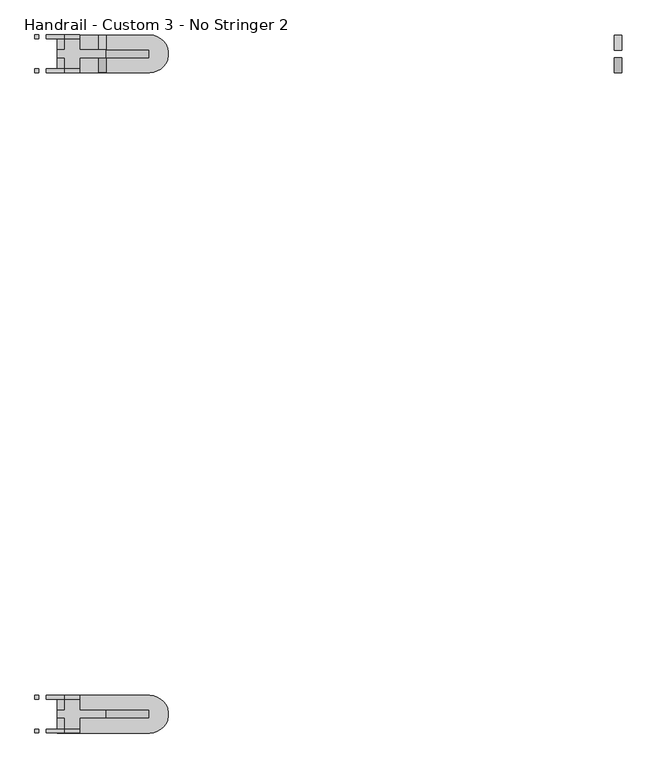
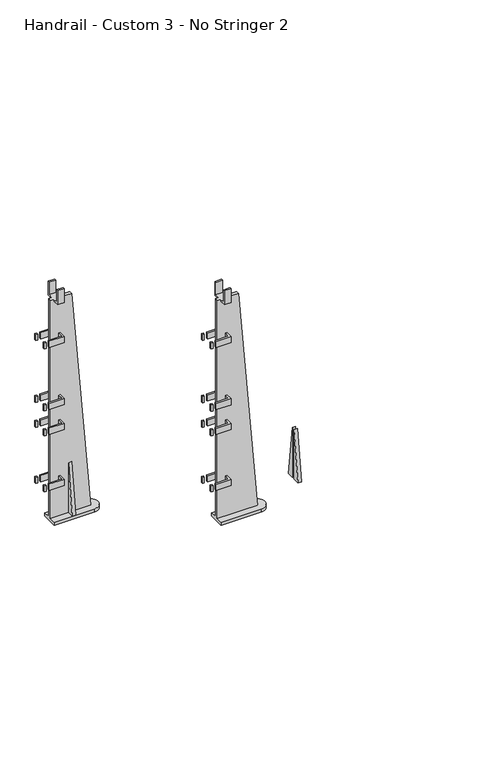
"""IFC4 building model written with IfcOpenShell, lengths in millimetres: railing geometry, Handrail - Custom 3 - No Stringer 2."""

from ifc_helpers import new_model, si_unit, frame, origin, place, context, project, spatial, polyline, circle_curve, outline, extrude, faceted_brep, source, transform, mapped, element, save
from ifc_brep_helpers import plane_surface, cylinder_surface, advanced_brep


def handrail_custom_3_no_stringer_2_4751ff28(model_context):
    return source(origin(), model_context, "Body", "SolidModel", [
        advanced_brep(
        [(6078.3705852, 3738.6590883, 3274.3822381), (6034.93129, 3738.6590883, 3274.3822381), (6034.93129, 3738.6590883, 3268.0322381), (6009.53129, 3738.6590883, 3268.0322381), (6009.53129, 3738.6590883, 3274.3822381), (5996.83129, 3738.6590883, 3274.3822381), (5996.83129, 3738.6590883, 2383.3666667), (6152.0702467, 3738.6590883, 2383.3666667), (6034.93129, 3738.6590883, 2545.5335052), (6034.93129, 3738.6590883, 2520.1335052), (6028.58129, 3738.6590883, 2520.1335052), (6028.58129, 3738.6590883, 2545.5335052), (6034.93129, 3738.6590883, 2774.1335052), (6034.93129, 3738.6590883, 2748.7335052), (6028.58129, 3738.6590883, 2748.7335052), (6028.58129, 3738.6590883, 2774.1335052), (6034.93129, 3738.6590883, 2875.7335052), (6034.93129, 3738.6590883, 2850.3335052), (6028.58129, 3738.6590883, 2850.3335052), (6028.58129, 3738.6590883, 2875.7335052), (6034.93129, 3738.6590883, 3129.7335052), (6034.93129, 3738.6590883, 3104.3335052), (6028.58129, 3738.6590883, 3104.3335052), (6028.58129, 3738.6590883, 3129.7335052), (5996.83129, 3751.3590883, 3274.3822381), (6009.53129, 3751.3590883, 3274.3822381), (6009.53129, 3751.3590883, 3268.0322381), (6034.93129, 3751.3590883, 3268.0322381), (6034.93129, 3751.3590883, 3274.3822381), (6078.3705852, 3751.3590883, 3274.3822381), (6152.0702467, 3751.3590883, 2383.3666667), (5996.83129, 3751.3590883, 2383.3666667), (6028.58129, 3751.3590883, 2545.5335052), (6028.58129, 3751.3590883, 2520.1335052), (6034.93129, 3751.3590883, 2520.1335052), (6034.93129, 3751.3590883, 2545.5335052), (6028.58129, 3751.3590883, 2774.1335052), (6028.58129, 3751.3590883, 2748.7335052), (6034.93129, 3751.3590883, 2748.7335052), (6034.93129, 3751.3590883, 2774.1335052), (6028.58129, 3751.3590883, 2875.7335052), (6028.58129, 3751.3590883, 2850.3335052), (6034.93129, 3751.3590883, 2850.3335052), (6034.93129, 3751.3590883, 2875.7335052), (6028.58129, 3751.3590883, 3129.7335052), (6028.58129, 3751.3590883, 3104.3335052), (6034.93129, 3751.3590883, 3104.3335052), (6034.93129, 3751.3590883, 3129.7335052), (6009.53129, 3719.6090883, 3274.3822381), (6034.93129, 3719.6090883, 3274.3822381), (6034.93129, 3770.4090883, 3274.3822381), (6009.53129, 3770.4090883, 3274.3822381), (5996.83129, 3713.2590883, 2370.6666667), (5996.83129, 3776.7590883, 2370.6666667), (6153.1207173, 3776.7590883, 2370.6666667), (6153.1207173, 3713.2590883, 2370.6666667), (5996.83129, 3776.7590883, 2383.3666667), (5996.83129, 3713.2590883, 2383.3666667), (6153.1207173, 3713.2590883, 2383.3666667), (6153.1207173, 3776.7590883, 2383.3666667), (6028.58129, 3719.6090883, 2520.1335052), (5977.78129, 3719.6090883, 2520.1335052), (5977.78129, 3719.6090883, 2545.5335052), (6028.58129, 3719.6090883, 2545.5335052), (5977.78129, 3713.2590883, 2545.5335052), (6034.93129, 3713.2590883, 2545.5335052), (6034.93129, 3776.7590883, 2545.5335052), (5977.78129, 3776.7590883, 2545.5335052), (5977.78129, 3770.4090883, 2545.5335052), (6028.58129, 3770.4090883, 2545.5335052), (5977.78129, 3713.2590883, 2520.1335052), (6034.93129, 3713.2590883, 2520.1335052), (6028.58129, 3770.4090883, 2520.1335052), (5977.78129, 3770.4090883, 2520.1335052), (5977.78129, 3776.7590883, 2520.1335052), (6034.93129, 3776.7590883, 2520.1335052), (6028.58129, 3719.6090883, 2748.7335052), (5977.78129, 3719.6090883, 2748.7335052), (5977.78129, 3719.6090883, 2774.1335052), (6028.58129, 3719.6090883, 2774.1335052), (5977.78129, 3713.2590883, 2774.1335052), (6034.93129, 3713.2590883, 2774.1335052), (6034.93129, 3776.7590883, 2774.1335052), (5977.78129, 3776.7590883, 2774.1335052), (5977.78129, 3770.4090883, 2774.1335052), (6028.58129, 3770.4090883, 2774.1335052), (5977.78129, 3713.2590883, 2748.7335052), (6034.93129, 3713.2590883, 2748.7335052), (6028.58129, 3770.4090883, 2748.7335052), (5977.78129, 3770.4090883, 2748.7335052), (5977.78129, 3776.7590883, 2748.7335052), (6034.93129, 3776.7590883, 2748.7335052), (6028.58129, 3719.6090883, 2850.3335052), (5977.78129, 3719.6090883, 2850.3335052), (5977.78129, 3719.6090883, 2875.7335052), (6028.58129, 3719.6090883, 2875.7335052), (5977.78129, 3713.2590883, 2875.7335052), (6034.93129, 3713.2590883, 2875.7335052), (6034.93129, 3776.7590883, 2875.7335052), (5977.78129, 3776.7590883, 2875.7335052), (5977.78129, 3770.4090883, 2875.7335052), (6028.58129, 3770.4090883, 2875.7335052), (5977.78129, 3713.2590883, 2850.3335052), (6034.93129, 3713.2590883, 2850.3335052), (6028.58129, 3770.4090883, 2850.3335052), (5977.78129, 3770.4090883, 2850.3335052), (5977.78129, 3776.7590883, 2850.3335052), (6034.93129, 3776.7590883, 2850.3335052), (6028.58129, 3719.6090883, 3104.3335052), (5977.78129, 3719.6090883, 3104.3335052), (5977.78129, 3719.6090883, 3129.7335052), (6028.58129, 3719.6090883, 3129.7335052), (5977.78129, 3713.2590883, 3129.7335052), (6034.93129, 3713.2590883, 3129.7335052), (6034.93129, 3776.7590883, 3129.7335052), (5977.78129, 3776.7590883, 3129.7335052), (5977.78129, 3770.4090883, 3129.7335052), (6028.58129, 3770.4090883, 3129.7335052), (5977.78129, 3713.2590883, 3104.3335052), (6034.93129, 3713.2590883, 3104.3335052), (6028.58129, 3770.4090883, 3104.3335052), (5977.78129, 3770.4090883, 3104.3335052), (5977.78129, 3776.7590883, 3104.3335052), (6034.93129, 3776.7590883, 3104.3335052), (6009.53129, 3713.2590883, 3268.0322381), (6009.53129, 3713.2590883, 3325.1822381), (6009.53129, 3719.6090883, 3325.1822381), (6009.53129, 3770.4090883, 3325.1822381), (6009.53129, 3776.7590883, 3325.1822381), (6009.53129, 3776.7590883, 3268.0322381), (6034.93129, 3719.6090883, 3325.1822381), (6034.93129, 3713.2590883, 3325.1822381), (6034.93129, 3713.2590883, 3268.0322381), (6034.93129, 3776.7590883, 3268.0322381), (6034.93129, 3776.7590883, 3325.1822381), (6034.93129, 3770.4090883, 3325.1822381)],
        [
            (0, 1),
            (1, 2),
            (2, 3),
            (3, 4),
            (4, 5),
            (5, 6),
            (6, 7),
            (7, 0),
            (8, 9),
            (9, 10),
            (10, 11),
            (11, 8),
            (12, 13),
            (13, 14),
            (14, 15),
            (15, 12),
            (16, 17),
            (17, 18),
            (18, 19),
            (19, 16),
            (20, 21),
            (21, 22),
            (22, 23),
            (23, 20),
            (24, 25),
            (25, 26),
            (26, 27),
            (27, 28),
            (28, 29),
            (29, 30),
            (30, 31),
            (31, 24),
            (32, 33),
            (33, 34),
            (34, 35),
            (35, 32),
            (36, 37),
            (37, 38),
            (38, 39),
            (39, 36),
            (40, 41),
            (41, 42),
            (42, 43),
            (43, 40),
            (44, 45),
            (45, 46),
            (46, 47),
            (47, 44),
            (4, 48),
            (48, 49),
            (49, 1),
            (0, 29),
            (28, 50),
            (50, 51),
            (51, 25),
            (24, 5),
            (7, 30),
            (52, 53),
            (53, 54),
            (54, 55, circle_curve(frame((6153.1207173, 3745.0090883, 2370.6666667), z_axis=(0.0, 0.0, -1.0), x_axis=(-1.0, 0.0, 0.0)), 31.75)),
            (55, 52),
            (31, 56),
            (56, 53),
            (52, 57),
            (57, 6),
            (57, 58),
            (58, 59, circle_curve(frame((6153.1207173, 3745.0090883, 2383.3666667), z_axis=(0.0, 0.0, 1.0), x_axis=(-1.0, 0.0, 0.0)), 31.75)),
            (59, 56),
            (59, 54),
            (58, 55),
            (60, 61),
            (61, 62),
            (62, 63),
            (63, 60),
            (62, 64),
            (64, 65),
            (65, 8),
            (11, 63),
            (35, 66),
            (66, 67),
            (67, 68),
            (68, 69),
            (69, 32),
            (64, 70),
            (70, 71),
            (71, 65),
            (70, 61),
            (60, 10),
            (9, 71),
            (33, 72),
            (72, 73),
            (73, 74),
            (74, 75),
            (75, 34),
            (76, 77),
            (77, 78),
            (78, 79),
            (79, 76),
            (78, 80),
            (80, 81),
            (81, 12),
            (15, 79),
            (39, 82),
            (82, 83),
            (83, 84),
            (84, 85),
            (85, 36),
            (80, 86),
            (86, 87),
            (87, 81),
            (86, 77),
            (76, 14),
            (13, 87),
            (37, 88),
            (88, 89),
            (89, 90),
            (90, 91),
            (91, 38),
            (92, 93),
            (93, 94),
            (94, 95),
            (95, 92),
            (94, 96),
            (96, 97),
            (97, 16),
            (19, 95),
            (43, 98),
            (98, 99),
            (99, 100),
            (100, 101),
            (101, 40),
            (96, 102),
            (102, 103),
            (103, 97),
            (102, 93),
            (92, 18),
            (17, 103),
            (41, 104),
            (104, 105),
            (105, 106),
            (106, 107),
            (107, 42),
            (108, 109),
            (109, 110),
            (110, 111),
            (111, 108),
            (110, 112),
            (112, 113),
            (113, 20),
            (23, 111),
            (47, 114),
            (114, 115),
            (115, 116),
            (116, 117),
            (117, 44),
            (112, 118),
            (118, 119),
            (119, 113),
            (118, 109),
            (108, 22),
            (21, 119),
            (45, 120),
            (120, 121),
            (121, 122),
            (122, 123),
            (123, 46),
            (69, 72),
            (75, 66),
            (85, 88),
            (91, 82),
            (101, 104),
            (107, 98),
            (117, 120),
            (123, 114),
            (68, 73),
            (74, 67),
            (84, 89),
            (90, 83),
            (100, 105),
            (106, 99),
            (116, 121),
            (122, 115),
            (3, 124),
            (124, 125),
            (125, 126),
            (126, 48),
            (51, 127),
            (127, 128),
            (128, 129),
            (129, 26),
            (49, 130),
            (130, 131),
            (131, 132),
            (132, 2),
            (27, 133),
            (133, 134),
            (134, 135),
            (135, 50),
            (126, 130),
            (125, 131),
            (124, 132),
            (129, 133),
            (128, 134),
            (127, 135),
        ],
        [
            plane_surface(frame((5996.83129, 3738.6590883, 3274.3822381), z_axis=(0.0, -1.0, 0.0), x_axis=(1.0, 0.0, 0.0))),
            plane_surface(frame((5996.83129, 3751.3590883, 3274.3822381), z_axis=(0.0, 1.0, 0.0), x_axis=(-1.0, 0.0, 0.0))),
            plane_surface(frame((5996.83129, 3738.6590883, 3274.3822381), z_axis=(0.0, 0.0, 1.0), x_axis=(0.0, 1.0, 0.0))),
            plane_surface(frame((6078.3705852, 3738.6590883, 3274.3822381), z_axis=(0.9965966321302145, 0.0, 0.08243271696792498), x_axis=(0.0, 1.0, 0.0))),
            plane_surface(frame((6153.1207173, 3738.6590883, 2370.6666667), z_axis=(0.0, 0.0, -1.0), x_axis=(0.0, 1.0, 0.0))),
            plane_surface(frame((5996.83129, 3738.6590883, 2370.6666667), z_axis=(-1.0, 0.0, 0.0), x_axis=(0.0, 1.0, 0.0))),
            plane_surface(frame((5996.83129, 3776.7590883, 2383.3666667), z_axis=(0.0, 0.0, 1.0), x_axis=(1.0, 0.0, 0.0))),
            plane_surface(frame((5996.83129, 3776.7590883, 2383.3666667), z_axis=(0.0, 1.0, 0.0), x_axis=(0.0, 0.0, -1.0))),
            cylinder_surface(frame((6153.1207173, 3745.0090883, 2370.6666667), z_axis=(0.0, 0.0, 1.0), x_axis=(-1.0, 0.0, 0.0)), 31.75),
            plane_surface(frame((6153.1207173, 3713.2590883, 2383.3666667), z_axis=(0.0, -1.0, 0.0), x_axis=(0.0, 0.0, -1.0))),
            plane_surface(frame((5958.73129, 3719.6090883, 2520.1335052), z_axis=(0.0, 1.0, 0.0), x_axis=(1.0, 0.0, 0.0))),
            plane_surface(frame((5958.73129, 3719.6090883, 2545.5335052), z_axis=(0.0, 0.0, 1.0), x_axis=(1.0, 0.0, 0.0))),
            plane_surface(frame((5958.73129, 3713.2590883, 2545.5335052), z_axis=(0.0, -1.0, 0.0), x_axis=(1.0, 0.0, 0.0))),
            plane_surface(frame((5958.73129, 3713.2590883, 2520.1335052), z_axis=(0.0, 0.0, -1.0), x_axis=(1.0, 0.0, 0.0))),
            plane_surface(frame((5958.73129, 3719.6090883, 2748.7335052), z_axis=(0.0, 1.0, 0.0), x_axis=(1.0, 0.0, 0.0))),
            plane_surface(frame((5958.73129, 3719.6090883, 2774.1335052), z_axis=(0.0, 0.0, 1.0), x_axis=(1.0, 0.0, 0.0))),
            plane_surface(frame((5958.73129, 3713.2590883, 2774.1335052), z_axis=(0.0, -1.0, 0.0), x_axis=(1.0, 0.0, 0.0))),
            plane_surface(frame((5958.73129, 3713.2590883, 2748.7335052), z_axis=(0.0, 0.0, -1.0), x_axis=(1.0, 0.0, 0.0))),
            plane_surface(frame((5958.73129, 3719.6090883, 2850.3335052), z_axis=(0.0, 1.0, 0.0), x_axis=(1.0, 0.0, 0.0))),
            plane_surface(frame((5958.73129, 3719.6090883, 2875.7335052), z_axis=(0.0, 0.0, 1.0), x_axis=(1.0, 0.0, 0.0))),
            plane_surface(frame((5958.73129, 3713.2590883, 2875.7335052), z_axis=(0.0, -1.0, 0.0), x_axis=(1.0, 0.0, 0.0))),
            plane_surface(frame((5958.73129, 3713.2590883, 2850.3335052), z_axis=(0.0, 0.0, -1.0), x_axis=(1.0, 0.0, 0.0))),
            plane_surface(frame((5958.73129, 3719.6090883, 3104.3335052), z_axis=(0.0, 1.0, 0.0), x_axis=(1.0, 0.0, 0.0))),
            plane_surface(frame((5958.73129, 3719.6090883, 3129.7335052), z_axis=(0.0, 0.0, 1.0), x_axis=(1.0, 0.0, 0.0))),
            plane_surface(frame((5958.73129, 3713.2590883, 3129.7335052), z_axis=(0.0, -1.0, 0.0), x_axis=(1.0, 0.0, 0.0))),
            plane_surface(frame((5958.73129, 3713.2590883, 3104.3335052), z_axis=(0.0, 0.0, -1.0), x_axis=(1.0, 0.0, 0.0))),
            plane_surface(frame((6028.58129, 3719.6090883, 2520.1335052), z_axis=(-1.0, 0.0, 0.0), x_axis=(0.0, 1.0, 0.0))),
            plane_surface(frame((6034.93129, 3713.2590883, 2545.5335052), z_axis=(1.0, 0.0, 0.0), x_axis=(0.0, 1.0, 0.0))),
            plane_surface(frame((6028.58129, 3719.6090883, 2748.7335052), z_axis=(-1.0, 0.0, 0.0), x_axis=(0.0, 1.0, 0.0))),
            plane_surface(frame((6034.93129, 3713.2590883, 2774.1335052), z_axis=(1.0, 0.0, 0.0), x_axis=(0.0, 1.0, 0.0))),
            plane_surface(frame((6028.58129, 3719.6090883, 2850.3335052), z_axis=(-1.0, 0.0, 0.0), x_axis=(0.0, 1.0, 0.0))),
            plane_surface(frame((6034.93129, 3713.2590883, 2875.7335052), z_axis=(1.0, 0.0, 0.0), x_axis=(0.0, 1.0, 0.0))),
            plane_surface(frame((6028.58129, 3719.6090883, 3104.3335052), z_axis=(-1.0, 0.0, 0.0), x_axis=(0.0, 1.0, 0.0))),
            plane_surface(frame((6034.93129, 3713.2590883, 3129.7335052), z_axis=(1.0, 0.0, 0.0), x_axis=(0.0, 1.0, 0.0))),
            plane_surface(frame((6028.58129, 3770.4090883, 2520.1335052), z_axis=(0.0, -1.0, 0.0), x_axis=(-1.0, 0.0, 0.0))),
            plane_surface(frame((6034.93129, 3776.7590883, 2545.5335052), z_axis=(0.0, 1.0, 0.0), x_axis=(-1.0, 0.0, 0.0))),
            plane_surface(frame((6028.58129, 3770.4090883, 2748.7335052), z_axis=(0.0, -1.0, 0.0), x_axis=(-1.0, 0.0, 0.0))),
            plane_surface(frame((6034.93129, 3776.7590883, 2774.1335052), z_axis=(0.0, 1.0, 0.0), x_axis=(-1.0, 0.0, 0.0))),
            plane_surface(frame((6028.58129, 3770.4090883, 2850.3335052), z_axis=(0.0, -1.0, 0.0), x_axis=(-1.0, 0.0, 0.0))),
            plane_surface(frame((6034.93129, 3776.7590883, 2875.7335052), z_axis=(0.0, 1.0, 0.0), x_axis=(-1.0, 0.0, 0.0))),
            plane_surface(frame((6028.58129, 3770.4090883, 3104.3335052), z_axis=(0.0, -1.0, 0.0), x_axis=(-1.0, 0.0, 0.0))),
            plane_surface(frame((6034.93129, 3776.7590883, 3129.7335052), z_axis=(0.0, 1.0, 0.0), x_axis=(-1.0, 0.0, 0.0))),
            plane_surface(frame((5977.78129, 3776.7590883, 3325.1822381), z_axis=(-1.0, 0.0, 0.0), x_axis=(0.0, 0.0, -1.0))),
            plane_surface(frame((6009.53129, 3719.6090883, 3325.1822381), z_axis=(-1.0, 0.0, 0.0), x_axis=(0.0, 0.0, 1.0))),
            plane_surface(frame((6034.93129, 3719.6090883, 3325.1822381), z_axis=(1.0, 0.0, 0.0), x_axis=(0.0, 0.0, -1.0))),
            plane_surface(frame((6009.53129, 3719.6090883, 3274.3822381), z_axis=(0.0, 1.0, 0.0), x_axis=(1.0, 0.0, 0.0))),
            plane_surface(frame((6009.53129, 3719.6090883, 3325.1822381), z_axis=(0.0, 0.0, 1.0), x_axis=(1.0, 0.0, 0.0))),
            plane_surface(frame((6009.53129, 3713.2590883, 3325.1822381), z_axis=(0.0, -1.0, 0.0), x_axis=(1.0, 0.0, 0.0))),
            plane_surface(frame((6009.53129, 3713.2590883, 3268.0322381), z_axis=(0.0, 0.0, -1.0), x_axis=(1.0, 0.0, 0.0))),
            plane_surface(frame((6009.53129, 3751.3590883, 3268.0322381), z_axis=(0.0, 0.0, -1.0), x_axis=(1.0, 0.0, 0.0))),
            plane_surface(frame((6009.53129, 3776.7590883, 3268.0322381), z_axis=(0.0, 1.0, 0.0), x_axis=(1.0, 0.0, 0.0))),
            plane_surface(frame((6009.53129, 3776.7590883, 3325.1822381), z_axis=(0.0, 0.0, 1.0), x_axis=(1.0, 0.0, 0.0))),
            plane_surface(frame((6009.53129, 3770.4090883, 3325.1822381), z_axis=(0.0, -1.0, 0.0), x_axis=(1.0, 0.0, 0.0))),
        ],
        [
            (0, [[1, 2, 3, 4, 5, 6, 7, 8], [9, 10, 11, 12], [13, 14, 15, 16], [17, 18, 19, 20], [21, 22, 23, 24]]),
            (1, [[25, 26, 27, 28, 29, 30, 31, 32], [33, 34, 35, 36], [37, 38, 39, 40], [41, 42, 43, 44], [45, 46, 47, 48]]),
            (2, [[-5, 49, 50, 51, -1, 52, -29, 53, 54, 55, -25, 56]]),
            (3, [[-8, 57, -30, -52]]),
            (4, [[58, 59, 60, 61]]),
            (5, [[-32, 62, 63, -58, 64, 65, -6, -56]]),
            (6, [[-62, -31, -57, -7, -65, 66, 67, 68]]),
            (7, [[69, -59, -63, -68]]),
            (8, [[70, -60, -69, -67]]),
            (9, [[-64, -61, -70, -66]]),
            (10, [[71, 72, 73, 74]]),
            (11, [[-73, 75, 76, 77, -12, 78]]),
            (11, [[-36, 79, 80, 81, 82, 83]]),
            (12, [[-76, 84, 85, 86]]),
            (13, [[-85, 87, -71, 88, -10, 89]]),
            (13, [[-34, 90, 91, 92, 93, 94]]),
            (14, [[95, 96, 97, 98]]),
            (15, [[-97, 99, 100, 101, -16, 102]]),
            (15, [[-40, 103, 104, 105, 106, 107]]),
            (16, [[-100, 108, 109, 110]]),
            (17, [[-109, 111, -95, 112, -14, 113]]),
            (17, [[-38, 114, 115, 116, 117, 118]]),
            (18, [[119, 120, 121, 122]]),
            (19, [[-121, 123, 124, 125, -20, 126]]),
            (19, [[-44, 127, 128, 129, 130, 131]]),
            (20, [[-124, 132, 133, 134]]),
            (21, [[-133, 135, -119, 136, -18, 137]]),
            (21, [[-42, 138, 139, 140, 141, 142]]),
            (22, [[143, 144, 145, 146]]),
            (23, [[-145, 147, 148, 149, -24, 150]]),
            (23, [[-48, 151, 152, 153, 154, 155]]),
            (24, [[-148, 156, 157, 158]]),
            (25, [[-157, 159, -143, 160, -22, 161]]),
            (25, [[-46, 162, 163, 164, 165, 166]]),
            (26, [[-78, -11, -88, -74]]),
            (26, [[-90, -33, -83, 167]]),
            (27, [[-89, -9, -77, -86]]),
            (27, [[-79, -35, -94, 168]]),
            (28, [[-102, -15, -112, -98]]),
            (28, [[-114, -37, -107, 169]]),
            (29, [[-113, -13, -101, -110]]),
            (29, [[-103, -39, -118, 170]]),
            (30, [[-126, -19, -136, -122]]),
            (30, [[-138, -41, -131, 171]]),
            (31, [[-137, -17, -125, -134]]),
            (31, [[-127, -43, -142, 172]]),
            (32, [[-150, -23, -160, -146]]),
            (32, [[-162, -45, -155, 173]]),
            (33, [[-161, -21, -149, -158]]),
            (33, [[-151, -47, -166, 174]]),
            (34, [[-82, 175, -91, -167]]),
            (35, [[-93, 176, -80, -168]]),
            (36, [[-106, 177, -115, -169]]),
            (37, [[-117, 178, -104, -170]]),
            (38, [[-130, 179, -139, -171]]),
            (39, [[-141, 180, -128, -172]]),
            (40, [[-154, 181, -163, -173]]),
            (41, [[-165, 182, -152, -174]]),
            (42, [[-87, -84, -75, -72]]),
            (42, [[-176, -92, -175, -81]]),
            (42, [[-111, -108, -99, -96]]),
            (42, [[-178, -116, -177, -105]]),
            (42, [[-135, -132, -123, -120]]),
            (42, [[-180, -140, -179, -129]]),
            (42, [[-159, -156, -147, -144]]),
            (42, [[-182, -164, -181, -153]]),
            (43, [[-49, -4, 183, 184, 185, 186]]),
            (43, [[187, 188, 189, 190, -26, -55]]),
            (44, [[191, 192, 193, 194, -2, -51]]),
            (44, [[-53, -28, 195, 196, 197, 198]]),
            (45, [[199, -191, -50, -186]]),
            (46, [[200, -192, -199, -185]]),
            (47, [[201, -193, -200, -184]]),
            (48, [[-3, -194, -201, -183]]),
            (49, [[202, -195, -27, -190]]),
            (50, [[203, -196, -202, -189]]),
            (51, [[204, -197, -203, -188]]),
            (52, [[-54, -198, -204, -187]]),
        ],
    ),
        faceted_brep([(5958.73129, 3719.6090883, 2520.1335052), (5958.73129, 3713.2590883, 2520.1335052), (5958.73129, 3713.2590883, 2545.5335052), (5958.73129, 3719.6090883, 2545.5335052), (5965.08129, 3719.6090883, 2545.5335052), (5965.08129, 3719.6090883, 2520.1335052), (5965.08129, 3713.2590883, 2545.5335052), (5965.08129, 3713.2590883, 2520.1335052)], [[[0, 1, 2, 3]], [[3, 4, 5, 0]], [[2, 6, 4, 3]], [[1, 7, 6, 2]], [[0, 5, 7, 1]], [[4, 6, 7, 5]]]),
        faceted_brep([(5958.73129, 3719.6090883, 2748.7335052), (5958.73129, 3713.2590883, 2748.7335052), (5958.73129, 3713.2590883, 2774.1335052), (5958.73129, 3719.6090883, 2774.1335052), (5965.08129, 3719.6090883, 2774.1335052), (5965.08129, 3719.6090883, 2748.7335052), (5965.08129, 3713.2590883, 2774.1335052), (5965.08129, 3713.2590883, 2748.7335052)], [[[0, 1, 2, 3]], [[3, 4, 5, 0]], [[2, 6, 4, 3]], [[1, 7, 6, 2]], [[0, 5, 7, 1]], [[4, 6, 7, 5]]]),
        faceted_brep([(5958.73129, 3719.6090883, 2850.3335052), (5958.73129, 3713.2590883, 2850.3335052), (5958.73129, 3713.2590883, 2875.7335052), (5958.73129, 3719.6090883, 2875.7335052), (5965.08129, 3719.6090883, 2875.7335052), (5965.08129, 3719.6090883, 2850.3335052), (5965.08129, 3713.2590883, 2875.7335052), (5965.08129, 3713.2590883, 2850.3335052)], [[[0, 1, 2, 3]], [[3, 4, 5, 0]], [[2, 6, 4, 3]], [[1, 7, 6, 2]], [[0, 5, 7, 1]], [[4, 6, 7, 5]]]),
        faceted_brep([(5958.73129, 3719.6090883, 3104.3335052), (5958.73129, 3713.2590883, 3104.3335052), (5958.73129, 3713.2590883, 3129.7335052), (5958.73129, 3719.6090883, 3129.7335052), (5965.08129, 3719.6090883, 3129.7335052), (5965.08129, 3719.6090883, 3104.3335052), (5965.08129, 3713.2590883, 3129.7335052), (5965.08129, 3713.2590883, 3104.3335052)], [[[0, 1, 2, 3]], [[3, 4, 5, 0]], [[2, 6, 4, 3]], [[1, 7, 6, 2]], [[0, 5, 7, 1]], [[4, 6, 7, 5]]]),
        faceted_brep([(5958.73129, 3770.4090883, 2545.5335052), (5965.08129, 3770.4090883, 2545.5335052), (5965.08129, 3776.7590883, 2545.5335052), (5958.73129, 3776.7590883, 2545.5335052), (5958.73129, 3776.7590883, 2520.1335052), (5965.08129, 3776.7590883, 2520.1335052), (5965.08129, 3770.4090883, 2520.1335052), (5958.73129, 3770.4090883, 2520.1335052)], [[[0, 1, 2, 3]], [[4, 5, 6, 7]], [[3, 4, 7, 0]], [[7, 6, 1, 0]], [[3, 2, 5, 4]], [[1, 6, 5, 2]]]),
        faceted_brep([(5958.73129, 3770.4090883, 2774.1335052), (5965.08129, 3770.4090883, 2774.1335052), (5965.08129, 3776.7590883, 2774.1335052), (5958.73129, 3776.7590883, 2774.1335052), (5958.73129, 3776.7590883, 2748.7335052), (5965.08129, 3776.7590883, 2748.7335052), (5965.08129, 3770.4090883, 2748.7335052), (5958.73129, 3770.4090883, 2748.7335052)], [[[0, 1, 2, 3]], [[4, 5, 6, 7]], [[3, 4, 7, 0]], [[7, 6, 1, 0]], [[3, 2, 5, 4]], [[1, 6, 5, 2]]]),
        faceted_brep([(5958.73129, 3770.4090883, 2875.7335052), (5965.08129, 3770.4090883, 2875.7335052), (5965.08129, 3776.7590883, 2875.7335052), (5958.73129, 3776.7590883, 2875.7335052), (5958.73129, 3776.7590883, 2850.3335052), (5965.08129, 3776.7590883, 2850.3335052), (5965.08129, 3770.4090883, 2850.3335052), (5958.73129, 3770.4090883, 2850.3335052)], [[[0, 1, 2, 3]], [[4, 5, 6, 7]], [[3, 4, 7, 0]], [[7, 6, 1, 0]], [[3, 2, 5, 4]], [[1, 6, 5, 2]]]),
        faceted_brep([(5958.73129, 3770.4090883, 3129.7335052), (5965.08129, 3770.4090883, 3129.7335052), (5965.08129, 3776.7590883, 3129.7335052), (5958.73129, 3776.7590883, 3129.7335052), (5958.73129, 3776.7590883, 3104.3335052), (5965.08129, 3776.7590883, 3104.3335052), (5965.08129, 3770.4090883, 3104.3335052), (5958.73129, 3770.4090883, 3104.3335052)], [[[0, 1, 2, 3]], [[4, 5, 6, 7]], [[3, 4, 7, 0]], [[7, 6, 1, 0]], [[3, 2, 5, 4]], [[1, 6, 5, 2]]]),
        extrude(outline(polyline([(4856.2590883, 1909.2333333), (4856.2590883, 1706.0333333), (4830.8590883, 1706.0333333), (4856.2590883, 1909.2333333)])), frame((6066.68129, 0.0, 0.0), z_axis=(1.0, 0.0, 0.0), x_axis=(0.0, 1.0, 0.0)), (0.0, 0.0, 1.0), 12.7),
        extrude(outline(polyline([(4868.9590883, 1909.2333333), (4894.3590883, 1706.0333333), (4868.9590883, 1706.0333333), (4868.9590883, 1909.2333333)])), frame((6066.68129, 0.0, 0.0), z_axis=(1.0, 0.0, 0.0), x_axis=(0.0, 1.0, 0.0)), (0.0, 0.0, 1.0), 12.7),
        advanced_brep(
        [(6078.3705852, 4856.2590883, 2597.0489048), (6034.93129, 4856.2590883, 2597.0489048), (6034.93129, 4856.2590883, 2590.6989048), (6009.53129, 4856.2590883, 2590.6989048), (6009.53129, 4856.2590883, 2597.0489048), (5996.83129, 4856.2590883, 2597.0489048), (5996.83129, 4856.2590883, 1706.0333333), (6152.0702467, 4856.2590883, 1706.0333333), (6034.93129, 4856.2590883, 1868.2001719), (6034.93129, 4856.2590883, 1842.8001719), (6028.58129, 4856.2590883, 1842.8001719), (6028.58129, 4856.2590883, 1868.2001719), (6034.93129, 4856.2590883, 2096.8001719), (6034.93129, 4856.2590883, 2071.4001719), (6028.58129, 4856.2590883, 2071.4001719), (6028.58129, 4856.2590883, 2096.8001719), (6034.93129, 4856.2590883, 2198.4001719), (6034.93129, 4856.2590883, 2173.0001719), (6028.58129, 4856.2590883, 2173.0001719), (6028.58129, 4856.2590883, 2198.4001719), (6034.93129, 4856.2590883, 2452.4001719), (6034.93129, 4856.2590883, 2427.0001719), (6028.58129, 4856.2590883, 2427.0001719), (6028.58129, 4856.2590883, 2452.4001719), (5996.83129, 4868.9590883, 2597.0489048), (6009.53129, 4868.9590883, 2597.0489048), (6009.53129, 4868.9590883, 2590.6989048), (6034.93129, 4868.9590883, 2590.6989048), (6034.93129, 4868.9590883, 2597.0489048), (6078.3705852, 4868.9590883, 2597.0489048), (6152.0702467, 4868.9590883, 1706.0333333), (5996.83129, 4868.9590883, 1706.0333333), (6028.58129, 4868.9590883, 1868.2001719), (6028.58129, 4868.9590883, 1842.8001719), (6034.93129, 4868.9590883, 1842.8001719), (6034.93129, 4868.9590883, 1868.2001719), (6028.58129, 4868.9590883, 2096.8001719), (6028.58129, 4868.9590883, 2071.4001719), (6034.93129, 4868.9590883, 2071.4001719), (6034.93129, 4868.9590883, 2096.8001719), (6028.58129, 4868.9590883, 2198.4001719), (6028.58129, 4868.9590883, 2173.0001719), (6034.93129, 4868.9590883, 2173.0001719), (6034.93129, 4868.9590883, 2198.4001719), (6028.58129, 4868.9590883, 2452.4001719), (6028.58129, 4868.9590883, 2427.0001719), (6034.93129, 4868.9590883, 2427.0001719), (6034.93129, 4868.9590883, 2452.4001719), (6009.53129, 4837.2090883, 2597.0489048), (6034.93129, 4837.2090883, 2597.0489048), (6034.93129, 4888.0090883, 2597.0489048), (6009.53129, 4888.0090883, 2597.0489048), (5996.83129, 4830.8590883, 1693.3333333), (5996.83129, 4894.3590883, 1693.3333333), (6153.1207173, 4894.3590883, 1693.3333333), (6153.1207173, 4830.8590883, 1693.3333333), (5996.83129, 4894.3590883, 1706.0333333), (5996.83129, 4830.8590883, 1706.0333333), (6153.1207173, 4830.8590883, 1706.0333333), (6153.1207173, 4894.3590883, 1706.0333333), (6028.58129, 4837.2090883, 1842.8001719), (5977.78129, 4837.2090883, 1842.8001719), (5977.78129, 4837.2090883, 1868.2001719), (6028.58129, 4837.2090883, 1868.2001719), (5977.78129, 4830.8590883, 1868.2001719), (6034.93129, 4830.8590883, 1868.2001719), (6034.93129, 4894.3590883, 1868.2001719), (5977.78129, 4894.3590883, 1868.2001719), (5977.78129, 4888.0090883, 1868.2001719), (6028.58129, 4888.0090883, 1868.2001719), (5977.78129, 4830.8590883, 1842.8001719), (6034.93129, 4830.8590883, 1842.8001719), (6028.58129, 4888.0090883, 1842.8001719), (5977.78129, 4888.0090883, 1842.8001719), (5977.78129, 4894.3590883, 1842.8001719), (6034.93129, 4894.3590883, 1842.8001719), (6028.58129, 4837.2090883, 2071.4001719), (5977.78129, 4837.2090883, 2071.4001719), (5977.78129, 4837.2090883, 2096.8001719), (6028.58129, 4837.2090883, 2096.8001719), (5977.78129, 4830.8590883, 2096.8001719), (6034.93129, 4830.8590883, 2096.8001719), (6034.93129, 4894.3590883, 2096.8001719), (5977.78129, 4894.3590883, 2096.8001719), (5977.78129, 4888.0090883, 2096.8001719), (6028.58129, 4888.0090883, 2096.8001719), (5977.78129, 4830.8590883, 2071.4001719), (6034.93129, 4830.8590883, 2071.4001719), (6028.58129, 4888.0090883, 2071.4001719), (5977.78129, 4888.0090883, 2071.4001719), (5977.78129, 4894.3590883, 2071.4001719), (6034.93129, 4894.3590883, 2071.4001719), (6028.58129, 4837.2090883, 2173.0001719), (5977.78129, 4837.2090883, 2173.0001719), (5977.78129, 4837.2090883, 2198.4001719), (6028.58129, 4837.2090883, 2198.4001719), (5977.78129, 4830.8590883, 2198.4001719), (6034.93129, 4830.8590883, 2198.4001719), (6034.93129, 4894.3590883, 2198.4001719), (5977.78129, 4894.3590883, 2198.4001719), (5977.78129, 4888.0090883, 2198.4001719), (6028.58129, 4888.0090883, 2198.4001719), (5977.78129, 4830.8590883, 2173.0001719), (6034.93129, 4830.8590883, 2173.0001719), (6028.58129, 4888.0090883, 2173.0001719), (5977.78129, 4888.0090883, 2173.0001719), (5977.78129, 4894.3590883, 2173.0001719), (6034.93129, 4894.3590883, 2173.0001719), (6028.58129, 4837.2090883, 2427.0001719), (5977.78129, 4837.2090883, 2427.0001719), (5977.78129, 4837.2090883, 2452.4001719), (6028.58129, 4837.2090883, 2452.4001719), (5977.78129, 4830.8590883, 2452.4001719), (6034.93129, 4830.8590883, 2452.4001719), (6034.93129, 4894.3590883, 2452.4001719), (5977.78129, 4894.3590883, 2452.4001719), (5977.78129, 4888.0090883, 2452.4001719), (6028.58129, 4888.0090883, 2452.4001719), (5977.78129, 4830.8590883, 2427.0001719), (6034.93129, 4830.8590883, 2427.0001719), (6028.58129, 4888.0090883, 2427.0001719), (5977.78129, 4888.0090883, 2427.0001719), (5977.78129, 4894.3590883, 2427.0001719), (6034.93129, 4894.3590883, 2427.0001719), (6009.53129, 4830.8590883, 2590.6989048), (6009.53129, 4830.8590883, 2647.8489048), (6009.53129, 4837.2090883, 2647.8489048), (6009.53129, 4888.0090883, 2647.8489048), (6009.53129, 4894.3590883, 2647.8489048), (6009.53129, 4894.3590883, 2590.6989048), (6034.93129, 4837.2090883, 2647.8489048), (6034.93129, 4830.8590883, 2647.8489048), (6034.93129, 4830.8590883, 2590.6989048), (6034.93129, 4894.3590883, 2590.6989048), (6034.93129, 4894.3590883, 2647.8489048), (6034.93129, 4888.0090883, 2647.8489048)],
        [
            (0, 1),
            (1, 2),
            (2, 3),
            (3, 4),
            (4, 5),
            (5, 6),
            (6, 7),
            (7, 0),
            (8, 9),
            (9, 10),
            (10, 11),
            (11, 8),
            (12, 13),
            (13, 14),
            (14, 15),
            (15, 12),
            (16, 17),
            (17, 18),
            (18, 19),
            (19, 16),
            (20, 21),
            (21, 22),
            (22, 23),
            (23, 20),
            (24, 25),
            (25, 26),
            (26, 27),
            (27, 28),
            (28, 29),
            (29, 30),
            (30, 31),
            (31, 24),
            (32, 33),
            (33, 34),
            (34, 35),
            (35, 32),
            (36, 37),
            (37, 38),
            (38, 39),
            (39, 36),
            (40, 41),
            (41, 42),
            (42, 43),
            (43, 40),
            (44, 45),
            (45, 46),
            (46, 47),
            (47, 44),
            (4, 48),
            (48, 49),
            (49, 1),
            (0, 29),
            (28, 50),
            (50, 51),
            (51, 25),
            (24, 5),
            (7, 30),
            (52, 53),
            (53, 54),
            (54, 55, circle_curve(frame((6153.1207173, 4862.6090883, 1693.3333333), z_axis=(0.0, 0.0, -1.0), x_axis=(-1.0, 0.0, 0.0)), 31.75)),
            (55, 52),
            (31, 56),
            (56, 53),
            (52, 57),
            (57, 6),
            (57, 58),
            (58, 59, circle_curve(frame((6153.1207173, 4862.6090883, 1706.0333333), z_axis=(0.0, 0.0, 1.0), x_axis=(-1.0, 0.0, 0.0)), 31.75)),
            (59, 56),
            (59, 54),
            (58, 55),
            (60, 61),
            (61, 62),
            (62, 63),
            (63, 60),
            (62, 64),
            (64, 65),
            (65, 8),
            (11, 63),
            (35, 66),
            (66, 67),
            (67, 68),
            (68, 69),
            (69, 32),
            (64, 70),
            (70, 71),
            (71, 65),
            (70, 61),
            (60, 10),
            (9, 71),
            (33, 72),
            (72, 73),
            (73, 74),
            (74, 75),
            (75, 34),
            (76, 77),
            (77, 78),
            (78, 79),
            (79, 76),
            (78, 80),
            (80, 81),
            (81, 12),
            (15, 79),
            (39, 82),
            (82, 83),
            (83, 84),
            (84, 85),
            (85, 36),
            (80, 86),
            (86, 87),
            (87, 81),
            (86, 77),
            (76, 14),
            (13, 87),
            (37, 88),
            (88, 89),
            (89, 90),
            (90, 91),
            (91, 38),
            (92, 93),
            (93, 94),
            (94, 95),
            (95, 92),
            (94, 96),
            (96, 97),
            (97, 16),
            (19, 95),
            (43, 98),
            (98, 99),
            (99, 100),
            (100, 101),
            (101, 40),
            (96, 102),
            (102, 103),
            (103, 97),
            (102, 93),
            (92, 18),
            (17, 103),
            (41, 104),
            (104, 105),
            (105, 106),
            (106, 107),
            (107, 42),
            (108, 109),
            (109, 110),
            (110, 111),
            (111, 108),
            (110, 112),
            (112, 113),
            (113, 20),
            (23, 111),
            (47, 114),
            (114, 115),
            (115, 116),
            (116, 117),
            (117, 44),
            (112, 118),
            (118, 119),
            (119, 113),
            (118, 109),
            (108, 22),
            (21, 119),
            (45, 120),
            (120, 121),
            (121, 122),
            (122, 123),
            (123, 46),
            (69, 72),
            (75, 66),
            (85, 88),
            (91, 82),
            (101, 104),
            (107, 98),
            (117, 120),
            (123, 114),
            (68, 73),
            (74, 67),
            (84, 89),
            (90, 83),
            (100, 105),
            (106, 99),
            (116, 121),
            (122, 115),
            (3, 124),
            (124, 125),
            (125, 126),
            (126, 48),
            (51, 127),
            (127, 128),
            (128, 129),
            (129, 26),
            (49, 130),
            (130, 131),
            (131, 132),
            (132, 2),
            (27, 133),
            (133, 134),
            (134, 135),
            (135, 50),
            (126, 130),
            (125, 131),
            (124, 132),
            (129, 133),
            (128, 134),
            (127, 135),
        ],
        [
            plane_surface(frame((5996.83129, 4856.2590883, 2597.0489048), z_axis=(0.0, -1.0, 0.0), x_axis=(1.0, 0.0, 0.0))),
            plane_surface(frame((5996.83129, 4868.9590883, 2597.0489048), z_axis=(0.0, 1.0, 0.0), x_axis=(-1.0, 0.0, 0.0))),
            plane_surface(frame((5996.83129, 4856.2590883, 2597.0489048), z_axis=(0.0, 0.0, 1.0), x_axis=(0.0, 1.0, 0.0))),
            plane_surface(frame((6078.3705852, 4856.2590883, 2597.0489048), z_axis=(0.9965966321302145, 0.0, 0.08243271696792498), x_axis=(0.0, 1.0, 0.0))),
            plane_surface(frame((6153.1207173, 4856.2590883, 1693.3333333), z_axis=(0.0, 0.0, -1.0), x_axis=(0.0, 1.0, 0.0))),
            plane_surface(frame((5996.83129, 4856.2590883, 1693.3333333), z_axis=(-1.0, 0.0, 0.0), x_axis=(0.0, 1.0, 0.0))),
            plane_surface(frame((5996.83129, 4894.3590883, 1706.0333333), z_axis=(0.0, 0.0, 1.0), x_axis=(1.0, 0.0, 0.0))),
            plane_surface(frame((5996.83129, 4894.3590883, 1706.0333333), z_axis=(0.0, 1.0, 0.0), x_axis=(0.0, 0.0, -1.0))),
            cylinder_surface(frame((6153.1207173, 4862.6090883, 1693.3333333), z_axis=(0.0, 0.0, 1.0), x_axis=(-1.0, 0.0, 0.0)), 31.75),
            plane_surface(frame((6153.1207173, 4830.8590883, 1706.0333333), z_axis=(0.0, -1.0, 0.0), x_axis=(0.0, 0.0, -1.0))),
            plane_surface(frame((5958.73129, 4837.2090883, 1842.8001719), z_axis=(0.0, 1.0, 0.0), x_axis=(1.0, 0.0, 0.0))),
            plane_surface(frame((5958.73129, 4837.2090883, 1868.2001719), z_axis=(0.0, 0.0, 1.0), x_axis=(1.0, 0.0, 0.0))),
            plane_surface(frame((5958.73129, 4830.8590883, 1868.2001719), z_axis=(0.0, -1.0, 0.0), x_axis=(1.0, 0.0, 0.0))),
            plane_surface(frame((5958.73129, 4830.8590883, 1842.8001719), z_axis=(0.0, 0.0, -1.0), x_axis=(1.0, 0.0, 0.0))),
            plane_surface(frame((5958.73129, 4837.2090883, 2071.4001719), z_axis=(0.0, 1.0, 0.0), x_axis=(1.0, 0.0, 0.0))),
            plane_surface(frame((5958.73129, 4837.2090883, 2096.8001719), z_axis=(0.0, 0.0, 1.0), x_axis=(1.0, 0.0, 0.0))),
            plane_surface(frame((5958.73129, 4830.8590883, 2096.8001719), z_axis=(0.0, -1.0, 0.0), x_axis=(1.0, 0.0, 0.0))),
            plane_surface(frame((5958.73129, 4830.8590883, 2071.4001719), z_axis=(0.0, 0.0, -1.0), x_axis=(1.0, 0.0, 0.0))),
            plane_surface(frame((5958.73129, 4837.2090883, 2173.0001719), z_axis=(0.0, 1.0, 0.0), x_axis=(1.0, 0.0, 0.0))),
            plane_surface(frame((5958.73129, 4837.2090883, 2198.4001719), z_axis=(0.0, 0.0, 1.0), x_axis=(1.0, 0.0, 0.0))),
            plane_surface(frame((5958.73129, 4830.8590883, 2198.4001719), z_axis=(0.0, -1.0, 0.0), x_axis=(1.0, 0.0, 0.0))),
            plane_surface(frame((5958.73129, 4830.8590883, 2173.0001719), z_axis=(0.0, 0.0, -1.0), x_axis=(1.0, 0.0, 0.0))),
            plane_surface(frame((5958.73129, 4837.2090883, 2427.0001719), z_axis=(0.0, 1.0, 0.0), x_axis=(1.0, 0.0, 0.0))),
            plane_surface(frame((5958.73129, 4837.2090883, 2452.4001719), z_axis=(0.0, 0.0, 1.0), x_axis=(1.0, 0.0, 0.0))),
            plane_surface(frame((5958.73129, 4830.8590883, 2452.4001719), z_axis=(0.0, -1.0, 0.0), x_axis=(1.0, 0.0, 0.0))),
            plane_surface(frame((5958.73129, 4830.8590883, 2427.0001719), z_axis=(0.0, 0.0, -1.0), x_axis=(1.0, 0.0, 0.0))),
            plane_surface(frame((6028.58129, 4837.2090883, 1842.8001719), z_axis=(-1.0, 0.0, 0.0), x_axis=(0.0, 1.0, 0.0))),
            plane_surface(frame((6034.93129, 4830.8590883, 1868.2001719), z_axis=(1.0, 0.0, 0.0), x_axis=(0.0, 1.0, 0.0))),
            plane_surface(frame((6028.58129, 4837.2090883, 2071.4001719), z_axis=(-1.0, 0.0, 0.0), x_axis=(0.0, 1.0, 0.0))),
            plane_surface(frame((6034.93129, 4830.8590883, 2096.8001719), z_axis=(1.0, 0.0, 0.0), x_axis=(0.0, 1.0, 0.0))),
            plane_surface(frame((6028.58129, 4837.2090883, 2173.0001719), z_axis=(-1.0, 0.0, 0.0), x_axis=(0.0, 1.0, 0.0))),
            plane_surface(frame((6034.93129, 4830.8590883, 2198.4001719), z_axis=(1.0, 0.0, 0.0), x_axis=(0.0, 1.0, 0.0))),
            plane_surface(frame((6028.58129, 4837.2090883, 2427.0001719), z_axis=(-1.0, 0.0, 0.0), x_axis=(0.0, 1.0, 0.0))),
            plane_surface(frame((6034.93129, 4830.8590883, 2452.4001719), z_axis=(1.0, 0.0, 0.0), x_axis=(0.0, 1.0, 0.0))),
            plane_surface(frame((6028.58129, 4888.0090883, 1842.8001719), z_axis=(0.0, -1.0, 0.0), x_axis=(-1.0, 0.0, 0.0))),
            plane_surface(frame((6034.93129, 4894.3590883, 1868.2001719), z_axis=(0.0, 1.0, 0.0), x_axis=(-1.0, 0.0, 0.0))),
            plane_surface(frame((6028.58129, 4888.0090883, 2071.4001719), z_axis=(0.0, -1.0, 0.0), x_axis=(-1.0, 0.0, 0.0))),
            plane_surface(frame((6034.93129, 4894.3590883, 2096.8001719), z_axis=(0.0, 1.0, 0.0), x_axis=(-1.0, 0.0, 0.0))),
            plane_surface(frame((6028.58129, 4888.0090883, 2173.0001719), z_axis=(0.0, -1.0, 0.0), x_axis=(-1.0, 0.0, 0.0))),
            plane_surface(frame((6034.93129, 4894.3590883, 2198.4001719), z_axis=(0.0, 1.0, 0.0), x_axis=(-1.0, 0.0, 0.0))),
            plane_surface(frame((6028.58129, 4888.0090883, 2427.0001719), z_axis=(0.0, -1.0, 0.0), x_axis=(-1.0, 0.0, 0.0))),
            plane_surface(frame((6034.93129, 4894.3590883, 2452.4001719), z_axis=(0.0, 1.0, 0.0), x_axis=(-1.0, 0.0, 0.0))),
            plane_surface(frame((5977.78129, 4894.3590883, 2647.8489048), z_axis=(-1.0, 0.0, 0.0), x_axis=(0.0, 0.0, -1.0))),
            plane_surface(frame((6009.53129, 4837.2090883, 2647.8489048), z_axis=(-1.0, 0.0, 0.0), x_axis=(0.0, 0.0, 1.0))),
            plane_surface(frame((6034.93129, 4837.2090883, 2647.8489048), z_axis=(1.0, 0.0, 0.0), x_axis=(0.0, 0.0, -1.0))),
            plane_surface(frame((6009.53129, 4837.2090883, 2597.0489048), z_axis=(0.0, 1.0, 0.0), x_axis=(1.0, 0.0, 0.0))),
            plane_surface(frame((6009.53129, 4837.2090883, 2647.8489048), z_axis=(0.0, 0.0, 1.0), x_axis=(1.0, 0.0, 0.0))),
            plane_surface(frame((6009.53129, 4830.8590883, 2647.8489048), z_axis=(0.0, -1.0, 0.0), x_axis=(1.0, 0.0, 0.0))),
            plane_surface(frame((6009.53129, 4830.8590883, 2590.6989048), z_axis=(0.0, 0.0, -1.0), x_axis=(1.0, 0.0, 0.0))),
            plane_surface(frame((6009.53129, 4868.9590883, 2590.6989048), z_axis=(0.0, 0.0, -1.0), x_axis=(1.0, 0.0, 0.0))),
            plane_surface(frame((6009.53129, 4894.3590883, 2590.6989048), z_axis=(0.0, 1.0, 0.0), x_axis=(1.0, 0.0, 0.0))),
            plane_surface(frame((6009.53129, 4894.3590883, 2647.8489048), z_axis=(0.0, 0.0, 1.0), x_axis=(1.0, 0.0, 0.0))),
            plane_surface(frame((6009.53129, 4888.0090883, 2647.8489048), z_axis=(0.0, -1.0, 0.0), x_axis=(1.0, 0.0, 0.0))),
        ],
        [
            (0, [[1, 2, 3, 4, 5, 6, 7, 8], [9, 10, 11, 12], [13, 14, 15, 16], [17, 18, 19, 20], [21, 22, 23, 24]]),
            (1, [[25, 26, 27, 28, 29, 30, 31, 32], [33, 34, 35, 36], [37, 38, 39, 40], [41, 42, 43, 44], [45, 46, 47, 48]]),
            (2, [[-5, 49, 50, 51, -1, 52, -29, 53, 54, 55, -25, 56]]),
            (3, [[-8, 57, -30, -52]]),
            (4, [[58, 59, 60, 61]]),
            (5, [[-32, 62, 63, -58, 64, 65, -6, -56]]),
            (6, [[-62, -31, -57, -7, -65, 66, 67, 68]]),
            (7, [[69, -59, -63, -68]]),
            (8, [[70, -60, -69, -67]]),
            (9, [[-64, -61, -70, -66]]),
            (10, [[71, 72, 73, 74]]),
            (11, [[-73, 75, 76, 77, -12, 78]]),
            (11, [[-36, 79, 80, 81, 82, 83]]),
            (12, [[-76, 84, 85, 86]]),
            (13, [[-85, 87, -71, 88, -10, 89]]),
            (13, [[-34, 90, 91, 92, 93, 94]]),
            (14, [[95, 96, 97, 98]]),
            (15, [[-97, 99, 100, 101, -16, 102]]),
            (15, [[-40, 103, 104, 105, 106, 107]]),
            (16, [[-100, 108, 109, 110]]),
            (17, [[-109, 111, -95, 112, -14, 113]]),
            (17, [[-38, 114, 115, 116, 117, 118]]),
            (18, [[119, 120, 121, 122]]),
            (19, [[-121, 123, 124, 125, -20, 126]]),
            (19, [[-44, 127, 128, 129, 130, 131]]),
            (20, [[-124, 132, 133, 134]]),
            (21, [[-133, 135, -119, 136, -18, 137]]),
            (21, [[-42, 138, 139, 140, 141, 142]]),
            (22, [[143, 144, 145, 146]]),
            (23, [[-145, 147, 148, 149, -24, 150]]),
            (23, [[-48, 151, 152, 153, 154, 155]]),
            (24, [[-148, 156, 157, 158]]),
            (25, [[-157, 159, -143, 160, -22, 161]]),
            (25, [[-46, 162, 163, 164, 165, 166]]),
            (26, [[-78, -11, -88, -74]]),
            (26, [[-90, -33, -83, 167]]),
            (27, [[-89, -9, -77, -86]]),
            (27, [[-79, -35, -94, 168]]),
            (28, [[-102, -15, -112, -98]]),
            (28, [[-114, -37, -107, 169]]),
            (29, [[-113, -13, -101, -110]]),
            (29, [[-103, -39, -118, 170]]),
            (30, [[-126, -19, -136, -122]]),
            (30, [[-138, -41, -131, 171]]),
            (31, [[-137, -17, -125, -134]]),
            (31, [[-127, -43, -142, 172]]),
            (32, [[-150, -23, -160, -146]]),
            (32, [[-162, -45, -155, 173]]),
            (33, [[-161, -21, -149, -158]]),
            (33, [[-151, -47, -166, 174]]),
            (34, [[-82, 175, -91, -167]]),
            (35, [[-93, 176, -80, -168]]),
            (36, [[-106, 177, -115, -169]]),
            (37, [[-117, 178, -104, -170]]),
            (38, [[-130, 179, -139, -171]]),
            (39, [[-141, 180, -128, -172]]),
            (40, [[-154, 181, -163, -173]]),
            (41, [[-165, 182, -152, -174]]),
            (42, [[-87, -84, -75, -72]]),
            (42, [[-176, -92, -175, -81]]),
            (42, [[-111, -108, -99, -96]]),
            (42, [[-178, -116, -177, -105]]),
            (42, [[-135, -132, -123, -120]]),
            (42, [[-180, -140, -179, -129]]),
            (42, [[-159, -156, -147, -144]]),
            (42, [[-182, -164, -181, -153]]),
            (43, [[-49, -4, 183, 184, 185, 186]]),
            (43, [[187, 188, 189, 190, -26, -55]]),
            (44, [[191, 192, 193, 194, -2, -51]]),
            (44, [[-53, -28, 195, 196, 197, 198]]),
            (45, [[199, -191, -50, -186]]),
            (46, [[200, -192, -199, -185]]),
            (47, [[201, -193, -200, -184]]),
            (48, [[-3, -194, -201, -183]]),
            (49, [[202, -195, -27, -190]]),
            (50, [[203, -196, -202, -189]]),
            (51, [[204, -197, -203, -188]]),
            (52, [[-54, -198, -204, -187]]),
        ],
    ),
        faceted_brep([(5958.73129, 4837.2090883, 1842.8001719), (5958.73129, 4830.8590883, 1842.8001719), (5958.73129, 4830.8590883, 1868.2001719), (5958.73129, 4837.2090883, 1868.2001719), (5965.08129, 4837.2090883, 1868.2001719), (5965.08129, 4837.2090883, 1842.8001719), (5965.08129, 4830.8590883, 1868.2001719), (5965.08129, 4830.8590883, 1842.8001719)], [[[0, 1, 2, 3]], [[3, 4, 5, 0]], [[2, 6, 4, 3]], [[1, 7, 6, 2]], [[0, 5, 7, 1]], [[4, 6, 7, 5]]]),
        faceted_brep([(5958.73129, 4837.2090883, 2071.4001719), (5958.73129, 4830.8590883, 2071.4001719), (5958.73129, 4830.8590883, 2096.8001719), (5958.73129, 4837.2090883, 2096.8001719), (5965.08129, 4837.2090883, 2096.8001719), (5965.08129, 4837.2090883, 2071.4001719), (5965.08129, 4830.8590883, 2096.8001719), (5965.08129, 4830.8590883, 2071.4001719)], [[[0, 1, 2, 3]], [[3, 4, 5, 0]], [[2, 6, 4, 3]], [[1, 7, 6, 2]], [[0, 5, 7, 1]], [[4, 6, 7, 5]]]),
        faceted_brep([(5958.73129, 4837.2090883, 2173.0001719), (5958.73129, 4830.8590883, 2173.0001719), (5958.73129, 4830.8590883, 2198.4001719), (5958.73129, 4837.2090883, 2198.4001719), (5965.08129, 4837.2090883, 2198.4001719), (5965.08129, 4837.2090883, 2173.0001719), (5965.08129, 4830.8590883, 2198.4001719), (5965.08129, 4830.8590883, 2173.0001719)], [[[0, 1, 2, 3]], [[3, 4, 5, 0]], [[2, 6, 4, 3]], [[1, 7, 6, 2]], [[0, 5, 7, 1]], [[4, 6, 7, 5]]]),
        faceted_brep([(5958.73129, 4837.2090883, 2427.0001719), (5958.73129, 4830.8590883, 2427.0001719), (5958.73129, 4830.8590883, 2452.4001719), (5958.73129, 4837.2090883, 2452.4001719), (5965.08129, 4837.2090883, 2452.4001719), (5965.08129, 4837.2090883, 2427.0001719), (5965.08129, 4830.8590883, 2452.4001719), (5965.08129, 4830.8590883, 2427.0001719)], [[[0, 1, 2, 3]], [[3, 4, 5, 0]], [[2, 6, 4, 3]], [[1, 7, 6, 2]], [[0, 5, 7, 1]], [[4, 6, 7, 5]]]),
        faceted_brep([(5958.73129, 4888.0090883, 1868.2001719), (5965.08129, 4888.0090883, 1868.2001719), (5965.08129, 4894.3590883, 1868.2001719), (5958.73129, 4894.3590883, 1868.2001719), (5958.73129, 4894.3590883, 1842.8001719), (5965.08129, 4894.3590883, 1842.8001719), (5965.08129, 4888.0090883, 1842.8001719), (5958.73129, 4888.0090883, 1842.8001719)], [[[0, 1, 2, 3]], [[4, 5, 6, 7]], [[3, 4, 7, 0]], [[7, 6, 1, 0]], [[3, 2, 5, 4]], [[1, 6, 5, 2]]]),
        faceted_brep([(5958.73129, 4888.0090883, 2096.8001719), (5965.08129, 4888.0090883, 2096.8001719), (5965.08129, 4894.3590883, 2096.8001719), (5958.73129, 4894.3590883, 2096.8001719), (5958.73129, 4894.3590883, 2071.4001719), (5965.08129, 4894.3590883, 2071.4001719), (5965.08129, 4888.0090883, 2071.4001719), (5958.73129, 4888.0090883, 2071.4001719)], [[[0, 1, 2, 3]], [[4, 5, 6, 7]], [[3, 4, 7, 0]], [[7, 6, 1, 0]], [[3, 2, 5, 4]], [[1, 6, 5, 2]]]),
        faceted_brep([(5958.73129, 4888.0090883, 2198.4001719), (5965.08129, 4888.0090883, 2198.4001719), (5965.08129, 4894.3590883, 2198.4001719), (5958.73129, 4894.3590883, 2198.4001719), (5958.73129, 4894.3590883, 2173.0001719), (5965.08129, 4894.3590883, 2173.0001719), (5965.08129, 4888.0090883, 2173.0001719), (5958.73129, 4888.0090883, 2173.0001719)], [[[0, 1, 2, 3]], [[4, 5, 6, 7]], [[3, 4, 7, 0]], [[7, 6, 1, 0]], [[3, 2, 5, 4]], [[1, 6, 5, 2]]]),
        faceted_brep([(5958.73129, 4888.0090883, 2452.4001719), (5965.08129, 4888.0090883, 2452.4001719), (5965.08129, 4894.3590883, 2452.4001719), (5958.73129, 4894.3590883, 2452.4001719), (5958.73129, 4894.3590883, 2427.0001719), (5965.08129, 4894.3590883, 2427.0001719), (5965.08129, 4888.0090883, 2427.0001719), (5958.73129, 4888.0090883, 2427.0001719)], [[[0, 1, 2, 3]], [[4, 5, 6, 7]], [[3, 4, 7, 0]], [[7, 6, 1, 0]], [[3, 2, 5, 4]], [[1, 6, 5, 2]]]),
        extrude(outline(polyline([(4868.9590883, 1739.9), (4894.3590883, 1536.7), (4868.9590883, 1536.7), (4868.9590883, 1739.9)])), frame((6939.6463422, 0.0, 0.0), z_axis=(1.0, 0.0, 0.0), x_axis=(0.0, 1.0, 0.0)), (0.0, 0.0, 1.0), 12.7),
        extrude(outline(polyline([(4856.2590883, 1739.9), (4856.2590883, 1536.7), (4830.8590883, 1536.7), (4856.2590883, 1739.9)])), frame((6939.6463422, 0.0, 0.0), z_axis=(1.0, 0.0, 0.0), x_axis=(0.0, 1.0, 0.0)), (0.0, 0.0, 1.0), 12.7),
    ])


if __name__ == "__main__":
    model = new_model("IFC4")
    model_context = context("Model", 3, world=origin())
    ifc_project = project(units=[si_unit("LENGTHUNIT", "METRE", prefix="MILLI")], contexts=[model_context])
    site = spatial("IfcSite", under=ifc_project)
    building = spatial("IfcBuilding", under=site)
    placement = place(None, origin())
    handrail_custom_3_no_stringer_2_shape = handrail_custom_3_no_stringer_2_4751ff28(model_context)
    element("IfcRailing", 1, ObjectType="Handrail - Custom 3 - No Stringer 2", at=placement, inside=building, context=model_context, shape_type="MappedRepresentation", body=[
        mapped(handrail_custom_3_no_stringer_2_shape, transform((0.0, 0.0, 0.0), x_axis=(1.0, 0.0, 0.0), y_axis=(0.0, 1.0, 0.0), z_axis=(0.0, 0.0, 1.0))),
    ])
    save(model, "model.ifc")
